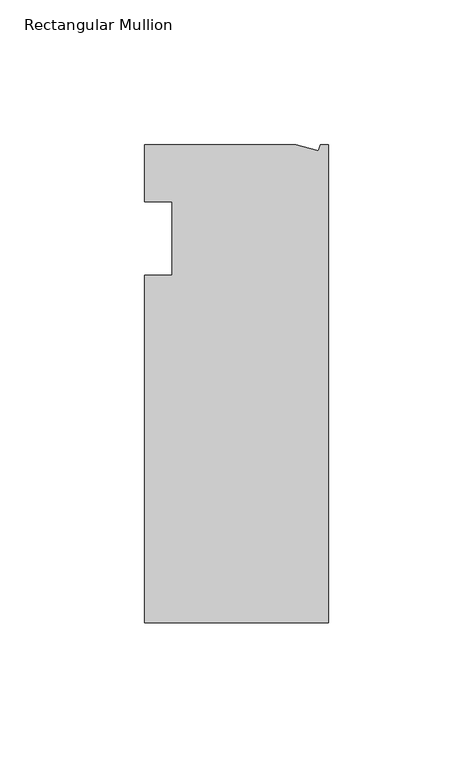
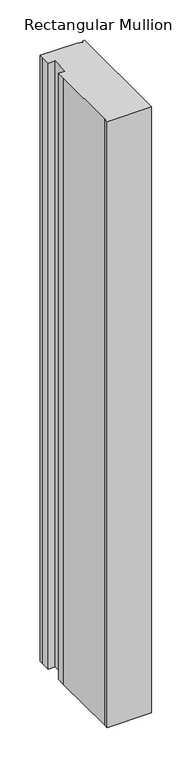
"""IFC4 building model written with IfcOpenShell, lengths in millimetres: member geometry, Rectangular Mullion."""

from ifc_helpers import new_model, si_unit, frame, origin, place, context, project, spatial, polyline, outline, extrude, source, transform, mapped, element, save


def rectangular_mullion_f3674d5d(model_context):
    return source(origin(), model_context, "Body", "SweptSolid", [
        extrude(outline(polyline([(-11.1265412, 19.6597595), (-3.3457217, 17.5748952), (-2.787084, 19.6597595), (0.0, 19.6597595), (0.0, -145.4402405), (-63.5, -145.4402405), (-63.5, -139.091245), (-63.5, -38.3358837), (-63.5, -25.4), (-53.975, -25.4), (-53.975, 0.0), (-63.5, 0.0), (-63.5, 13.6200033), (-63.5, 19.6597595), (-11.1265412, 19.6597595)])), frame((0.0, 0.0, -914.4), z_axis=(0.0, 0.0, 1.0), x_axis=(1.0, 0.0, 0.0)), (0.0, 0.0, 1.0), 914.4),
    ])


if __name__ == "__main__":
    model = new_model("IFC4")
    model_context = context("Model", 3, world=origin())
    ifc_project = project(units=[si_unit("LENGTHUNIT", "METRE", prefix="MILLI")], contexts=[model_context])
    site = spatial("IfcSite", under=ifc_project)
    building = spatial("IfcBuilding", under=site)
    placement = place(None, origin())
    rectangular_mullion_shape = rectangular_mullion_f3674d5d(model_context)
    element("IfcMember", 1, ObjectType="Rectangular Mullion", at=placement, inside=building, context=model_context, shape_type="MappedRepresentation", body=[
        mapped(rectangular_mullion_shape, transform((0.0, 0.0, 0.0), x_axis=(1.0, 0.0, 0.0), y_axis=(0.0, 1.0, 0.0), z_axis=(0.0, 0.0, 1.0))),
    ])
    save(model, "model.ifc")
